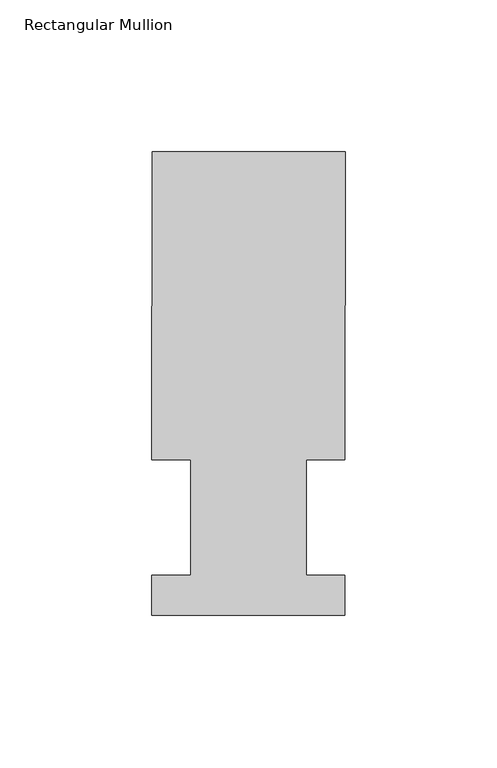
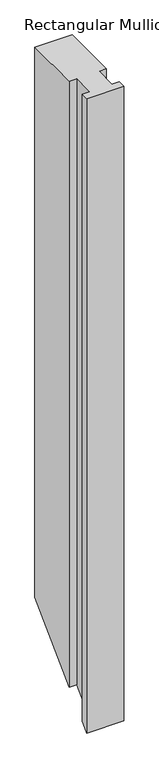
"""IFC4 building model written with IfcOpenShell, lengths in millimetres: member geometry, Rectangular Mullion."""

from ifc_helpers import new_model, si_unit, origin, place, context, project, spatial, faceted_brep, source, transform, mapped, element, save


def rectangular_mullion_33ecec6f(model_context):
    return source(origin(), model_context, "Body", "Brep", [
        faceted_brep([(-63.5, 152.4896938, 0.0), (-63.510405, 51.2960938, 0.0), (-50.8104049, 51.2960937, 0.0), (-50.8143224, 13.1960938, 0.0), (-63.5143225, 13.1960938, 0.0), (-63.5156779, 0.0134946, 0.0), (-0.0156783, 0.0069653, 0.0), (-0.0143221, 13.1960938, 0.0), (-12.7016222, 13.1960938, 0.0), (-12.6977047, 51.2960938, 0.0), (-0.0104046, 51.2960937, 0.0), (-3e-07, 152.4831645, 0.0), (-63.5, 152.4896937, -990.51872), (-63.510405, 51.2960937, -1091.71232), (-50.8104049, 51.2960937, -1091.71232), (-50.8143224, 13.1960938, -1129.81232), (-63.5143225, 13.1960938, -1129.81232), (-63.5156779, 0.0134946, -1142.9949192), (-0.0156783, 0.0069653, -1143.0014484), (-0.0143221, 13.1960938, -1129.81232), (-12.7016222, 13.1960938, -1129.81232), (-12.6977047, 51.2960937, -1091.71232), (-0.0104046, 51.2960937, -1091.71232), (-3e-07, 152.4831645, -990.5252492)], [[[0, 1, 2, 3, 4, 5, 6, 7, 8, 9, 10, 11]], [[1, 0, 12, 13]], [[2, 1, 13, 14]], [[3, 2, 14, 15]], [[4, 3, 15, 16]], [[5, 4, 16, 17]], [[6, 5, 17, 18]], [[7, 6, 18, 19]], [[8, 7, 19, 20]], [[9, 8, 20, 21]], [[10, 9, 21, 22]], [[11, 10, 22, 23]], [[0, 11, 23, 12]], [[12, 23, 22, 21, 20, 19, 18, 17, 16, 15, 14, 13]]]),
    ])


if __name__ == "__main__":
    model = new_model("IFC4")
    model_context = context("Model", 3, world=origin())
    ifc_project = project(units=[si_unit("LENGTHUNIT", "METRE", prefix="MILLI")], contexts=[model_context])
    site = spatial("IfcSite", under=ifc_project)
    building = spatial("IfcBuilding", under=site)
    placement = place(None, origin())
    rectangular_mullion_shape = rectangular_mullion_33ecec6f(model_context)
    element("IfcMember", 1, ObjectType="Rectangular Mullion", at=placement, inside=building, context=model_context, shape_type="MappedRepresentation", body=[
        mapped(rectangular_mullion_shape, transform((0.0, 0.0, 0.0), x_axis=(1.0, 0.0, 0.0), y_axis=(0.0, 1.0, 0.0), z_axis=(0.0, 0.0, 1.0))),
    ])
    save(model, "model.ifc")
